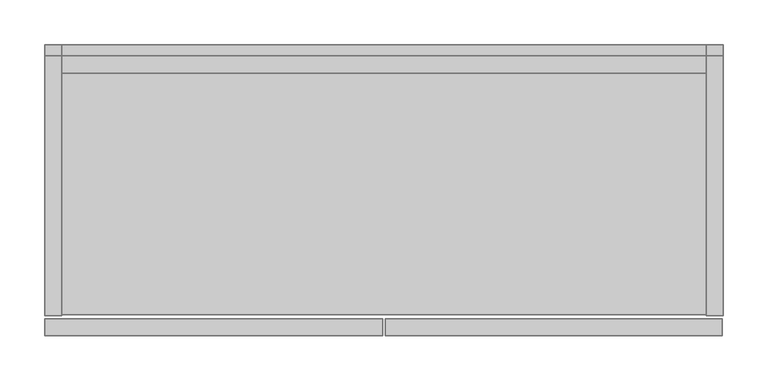
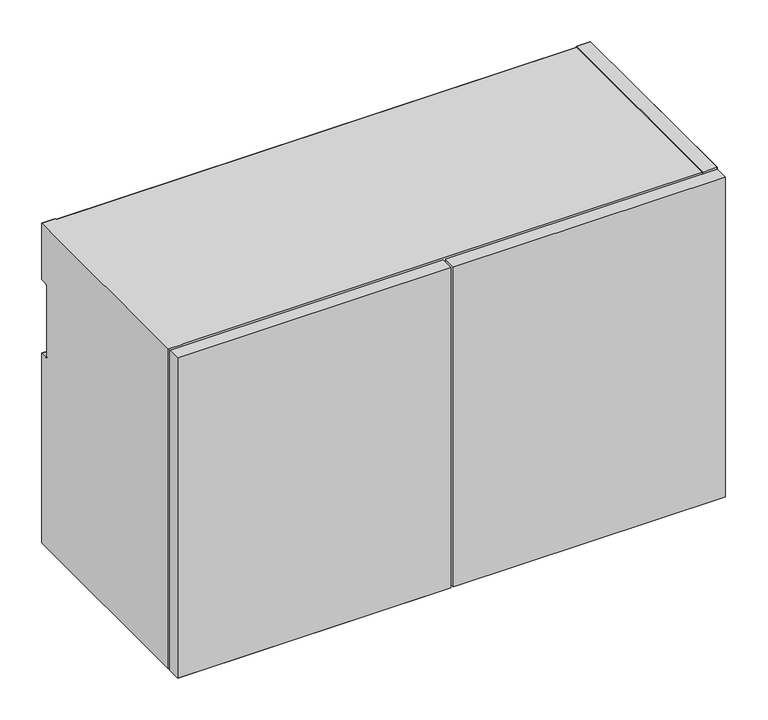
"""IFC4 building model written with IfcOpenShell, lengths in millimetres: furniture geometry."""

import ifcopenshell
import ifcopenshell.guid

model = None  # the IFC model being written
_history = None  # IfcOwnerHistory: only IFC2X3 demands one
_inside = {}  # id of a spatial element -> (the spatial element, [elements in it])
_under = {}  # id of a project, library or spatial element -> (it, [spatial elements below it])
_declared = {}  # id of a project -> (the project, [libraries it declares])
_typed = {}  # id of a type object -> (the type object, [elements of that type])
_made_of = {}  # id of a material, layer set ... -> (it, [elements and type objects made of it])


def new_model(schema):
    """Start an empty IFC model of exactly this schema.

    Asked for "IFC4X3", IfcOpenShell would pick the latest addendum, in which some entities
    have other attributes; the version numbers below select the first issue.
    IFC2X3 requires an IfcOwnerHistory on every rooted entity: one is made here for all.
    """
    global model, _history
    if schema == "IFC4X3":
        model = ifcopenshell.file(schema_version=(4, 3, 0, 0))
    else:
        model = ifcopenshell.file(schema=schema)
    _inside.clear()
    _under.clear()
    _declared.clear()
    _typed.clear()
    _made_of.clear()
    _history = None
    if model.schema == "IFC2X3":
        org = make("IfcOrganization", Name="unknown")
        user = make(
            "IfcPersonAndOrganization",
            ThePerson=make("IfcPerson", FamilyName="unknown"),
            TheOrganization=org,
        )
        app = make(
            "IfcApplication",
            ApplicationDeveloper=org,
            Version="unknown",
            ApplicationFullName="unknown",
            ApplicationIdentifier="unknown",
        )
        _history = make(
            "IfcOwnerHistory",
            OwningUser=user,
            OwningApplication=app,
            ChangeAction="ADDED",
            CreationDate=0,
        )
    return model


def make(cls, **values):
    """One entity of the class cls with the attributes given. An attribute that is None is left unset."""
    return model.create_entity(
        cls, **{name: value for name, value in values.items() if value is not None}
    )


def rooted(cls, **values):
    """An entity with a GlobalId (a new one), such as an element, a storey or a relation."""
    return make(cls, GlobalId=ifcopenshell.guid.new(), OwnerHistory=_history, **values)


def si_unit(unit_type, name, prefix=None):
    """IfcSIUnit, for example si_unit("LENGTHUNIT", "METRE", prefix="MILLI")."""
    return make("IfcSIUnit", UnitType=unit_type, Prefix=prefix, Name=name)


def assignment(units):
    """IfcUnitAssignment: the units of a project."""
    return None if units is None else make("IfcUnitAssignment", Units=units)


def point(xyz):
    """IfcCartesianPoint."""
    return None if xyz is None else make("IfcCartesianPoint", Coordinates=xyz)


def direction(xyz):
    """IfcDirection."""
    return None if xyz is None else make("IfcDirection", DirectionRatios=xyz)


def frame(location, z_axis=None, x_axis=None):
    """IfcAxis2Placement3D, a coordinate frame: its origin and axes. An axis left out is left unset."""
    return make(
        "IfcAxis2Placement3D",
        Location=point(location),
        Axis=direction(z_axis),
        RefDirection=direction(x_axis),
    )


def origin():
    """The frame at (0, 0, 0) with its axes left unset."""
    return frame((0.0, 0.0, 0.0))


def place(relative_to, where):
    """IfcLocalPlacement: puts the frame where relative to a parent placement (None: the world)."""
    return make(
        "IfcLocalPlacement", PlacementRelTo=relative_to, RelativePlacement=where
    )


def context(
    kind, dimensions, precision=None, world=None, true_north=None, identifier=None
):
    """IfcGeometricRepresentationContext, for example the 3D "Model" context."""
    return make(
        "IfcGeometricRepresentationContext",
        ContextIdentifier=identifier,
        ContextType=kind,
        CoordinateSpaceDimension=dimensions,
        Precision=precision,
        WorldCoordinateSystem=world,
        TrueNorth=true_north,
    )


def project(units=None, contexts=None):
    """IfcProject with its units and contexts."""
    return rooted(
        "IfcProject",
        Name="project",
        RepresentationContexts=contexts,
        UnitsInContext=assignment(units),
    )


def spatial(cls, under=None, at=None, **own):
    """A site, building, storey or space (cls), placed at a placement, below another one or the project."""
    s = rooted(cls, ObjectPlacement=at, **own)
    if under is not None:
        _under.setdefault(under.id(), (under, []))[1].append(s)
    return s


def point_list(points):
    """IfcCartesianPointList2D or 3D."""
    cls = (
        "IfcCartesianPointList2D" if len(points[0]) == 2 else "IfcCartesianPointList3D"
    )
    return make(cls, CoordList=points)


def triangles(points, corners, closed=None, point_numbers=None):
    """IfcTriangulatedFaceSet: each triangle names its three corners, points numbered from 1."""
    return make(
        "IfcTriangulatedFaceSet",
        Coordinates=point_list(points),
        Closed=closed,
        CoordIndex=corners,
        PnIndex=point_numbers,
    )


def shape(context_of_items, identifier, shape_type, items):
    """IfcShapeRepresentation: the items that make up one representation, for example the "Body"."""
    return make(
        "IfcShapeRepresentation",
        ContextOfItems=context_of_items,
        RepresentationIdentifier=identifier,
        RepresentationType=shape_type,
        Items=items,
    )


def source(mapping_origin, context_of_items, identifier, shape_type, items):
    """IfcRepresentationMap: a shape defined once, which mapped items show again and again."""
    return make(
        "IfcRepresentationMap",
        MappingOrigin=mapping_origin,
        MappedRepresentation=shape(context_of_items, identifier, shape_type, items),
    )


def transform(
    local_origin,
    x_axis=None,
    y_axis=None,
    z_axis=None,
    scale=None,
    scale2=None,
    scale3=None,
    uniform=True,
):
    """IfcCartesianTransformationOperator3D, or its non-uniform kind. x_axis, y_axis, z_axis: its Axis1, 2, 3."""
    if uniform:
        return make(
            "IfcCartesianTransformationOperator3D",
            Axis1=direction(x_axis),
            Axis2=direction(y_axis),
            LocalOrigin=point(local_origin),
            Scale=scale,
            Axis3=direction(z_axis),
        )
    return make(
        "IfcCartesianTransformationOperator3DnonUniform",
        Axis1=direction(x_axis),
        Axis2=direction(y_axis),
        LocalOrigin=point(local_origin),
        Scale=scale,
        Axis3=direction(z_axis),
        Scale2=scale2,
        Scale3=scale3,
    )


def mapped(mapping_source, mapping_target):
    """IfcMappedItem: shows the shape of a source again, moved by a transform."""
    return make(
        "IfcMappedItem", MappingSource=mapping_source, MappingTarget=mapping_target
    )


def made_of(thing, what):
    """Note that an element or type object is made of a material, layer set ...; save() writes the relation."""
    if what is not None:
        _made_of.setdefault(what.id(), (what, []))[1].append(thing)
    return thing


def element(
    cls,
    number,
    at=None,
    inside=None,
    cuts=None,
    type_object=None,
    material=None,
    context=None,
    identifier="Body",
    shape_type=None,
    held_by="IfcProductDefinitionShape",
    body=None,
    shapes=None,
    **own,
):
    """One element of the class cls, such as IfcWall. Its Tag is "e" and its number.

    at: its placement. inside: the storey or other place that contains it. cuts: it is an
    opening in that element (IfcRelVoidsElement). A single representation is given by context,
    identifier, shape_type and body (its items); several are given by shapes. held_by: the class
    of the entity that holds the representations. save() writes the other relations.
    """
    e = rooted(cls, Tag="e%d" % number, ObjectPlacement=at, **own)
    if body is not None:
        shapes = [shape(context, identifier, shape_type, body)]
    if shapes is not None:
        e.Representation = make(held_by, Representations=shapes)
    if inside is not None:
        _inside.setdefault(inside.id(), (inside, []))[1].append(e)
    if cuts is not None:
        rooted(
            "IfcRelVoidsElement", RelatingBuildingElement=cuts, RelatedOpeningElement=e
        )
    if type_object is not None:
        _typed.setdefault(type_object.id(), (type_object, []))[1].append(e)
    return made_of(e, material)


def aggregate(whole, parts):
    """IfcRelAggregates: a whole, such as a stair, and the parts it consists of."""
    return rooted("IfcRelAggregates", RelatingObject=whole, RelatedObjects=parts)


def save(model, path):
    """Write the relations noted so far, then the file.

    IfcRelAggregates (storeys below a building ...), IfcRelContainedInSpatialStructure (elements
    in a storey), IfcRelDefinesByType, IfcRelAssociatesMaterial and IfcRelDeclares: one each for
    every whole, place, type object, material and project.
    """
    for whole, parts in _under.values():
        aggregate(whole, parts)
    for where, things in _inside.values():
        rooted(
            "IfcRelContainedInSpatialStructure",
            RelatedElements=things,
            RelatingStructure=where,
        )
    for kind, things in _typed.values():
        rooted("IfcRelDefinesByType", RelatedObjects=things, RelatingType=kind)
    for what, things in _made_of.values():
        rooted("IfcRelAssociatesMaterial", RelatedObjects=things, RelatingMaterial=what)
    for by, libraries in _declared.values():
        rooted("IfcRelDeclares", RelatingContext=by, RelatedDefinitions=libraries)
    model.write(path)


def furniture_3b28bcd8(model_context):
    return source(origin(), model_context, "Body", "Tessellation", [
        triangles([(382.5875121, -327.0249879, 469.8999879), (382.5875121, -327.0249879, 1.21e-05), (760.4125242, -327.0249879, 469.8999879), (760.4125242, -327.0249879, 1.21e-05), (382.5875121, -307.7210063, 1.21e-05), (382.5875121, -307.7210063, 469.8999879), (760.4125242, -307.7210063, 469.8999879), (760.4125242, -307.7210063, 1.21e-05), (0.0, -327.0249879, 469.8999879), (0.0, -327.0249879, 1.21e-05), (379.4124879, -327.0249879, 1.21e-05), (379.4124879, -327.0249879, 469.8999879), (0.0, -307.7210063, 1.21e-05), (0.0, -307.7210063, 469.8999879), (379.4124879, -307.7210063, 469.8999879), (379.4124879, -307.7210063, 1.21e-05), (742.6960184, -304.5460002, 469.8999879), (742.6960184, -304.5460002, 1.21e-05), (762.0, -304.5460002, 1.21e-05), (762.0, -304.5460002, 469.8999879), (742.6960184, 0.0, 386.8419763), (742.6960184, 0.0, 469.8999879), (762.0, 0.0, 469.8999879), (762.0, 0.0, 386.8419763), (742.6960184, 0.0, 1.21e-05), (742.6960184, 0.0, 278.8919702), (762.0, 0.0, 278.8919702), (762.0, 0.0, 1.21e-05), (742.6960184, -11.1124996, 279.3173803), (742.6960184, -11.7700642, 279.821928), (742.6960184, -9.525, 278.8919702), (742.6960184, -10.346751, 279.0001758), (742.6960184, -11.1127244, 386.4167115), (742.6960184, -11.7701959, 385.9121638), (742.6960184, -9.5254485, 386.8419763), (742.6960184, -10.3470826, 386.7338433), (742.6960184, -12.5918141, 281.2452423), (742.6960184, -12.2746312, 280.4795187), (742.6960184, -12.7000004, 282.0669944), (742.6960184, -12.2746902, 385.2547185), (742.6960184, -12.59183, 384.4890676), (742.6960184, -12.7000004, 383.6674607), (762.0, -11.1127244, 386.4167115), (762.0, -11.7701959, 385.9121638), (762.0, -9.5254485, 386.8419763), (762.0, -10.3470826, 386.7338433), (762.0, -11.1124996, 279.3173803), (762.0, -11.7700642, 279.821928), (762.0, -9.525, 278.8919702), (762.0, -10.346751, 279.0001758), (762.0, -12.2746902, 385.2547185), (762.0, -12.59183, 384.4890676), (762.0, -12.7000004, 383.6674607), (762.0, -12.7000004, 282.0669944), (762.0, -12.2746312, 280.4795187), (762.0, -12.5918141, 281.2452423), (19.3039998, -303.0220017, 20.8279915), (19.3039998, -303.0220017, 1.5240106), (742.6960184, -303.0220017, 1.5240106), (742.6960184, -303.0220017, 20.8279915), (19.3039998, -12.7000004, 1.5240106), (19.3039998, -12.7000004, 20.8279915), (742.6960184, -12.7000004, 20.8279915), (742.6960184, -12.7000004, 1.5240106), (742.6960184, -32.003999, 20.8279915), (742.6960184, -12.7000004, 450.5960063), (742.6960184, -32.003999, 450.5960063), (19.3039998, -12.7000004, 450.5960063), (19.3039998, -32.003999, 20.8279915), (19.3039998, -32.003999, 450.5960063), (0.0, -304.5460002, 469.8999879), (0.0, -304.5460002, 1.21e-05), (19.3039998, -304.5460002, 1.21e-05), (19.3039998, -304.5460002, 469.8999879), (0.0, 0.0, 386.8419763), (0.0, 0.0, 469.8999879), (19.3039998, 0.0, 469.8999879), (19.3039998, 0.0, 386.8419763), (0.0, 0.0, 1.21e-05), (0.0, 0.0, 278.8919702), (19.3039998, 0.0, 278.8919702), (19.3039998, 0.0, 1.21e-05), (0.0, -11.1124996, 279.3173803), (0.0, -11.7700642, 279.821928), (0.0, -9.525, 278.8919702), (0.0, -10.346751, 279.0001758), (0.0, -11.1127244, 386.4167115), (0.0, -11.7701959, 385.9121638), (0.0, -9.5254485, 386.8419763), (0.0, -10.3470826, 386.7338433), (0.0, -12.5918141, 281.2452423), (0.0, -12.2746312, 280.4795187), (0.0, -12.7000004, 282.0669944), (0.0, -12.2746902, 385.2547185), (0.0, -12.59183, 384.4890676), (0.0, -12.7000004, 383.6674607), (19.3039998, -11.1127244, 386.4167115), (19.3039998, -11.7701959, 385.9121638), (19.3039998, -9.5254485, 386.8419763), (19.3039998, -10.3470826, 386.7338433), (19.3039998, -11.1124996, 279.3173803), (19.3039998, -11.7700642, 279.821928), (19.3039998, -9.525, 278.8919702), (19.3039998, -10.346751, 279.0001758), (19.3039998, -12.2746902, 385.2547185), (19.3039998, -12.59183, 384.4890676), (19.3039998, -12.7000004, 383.6674607), (19.3039998, -12.7000004, 282.0669944), (19.3039998, -12.2746312, 280.4795187), (19.3039998, -12.5918141, 281.2452423), (19.3039998, -303.0220017, 468.375953), (19.3039998, -303.0220017, 450.5960063), (742.6960184, -303.0220017, 450.5960063), (742.6960184, -303.0220017, 468.375953), (19.3039998, 0.0, 450.5960063), (19.3039998, 0.0, 468.375953), (742.6960184, 0.0, 468.375953), (742.6960184, 0.0, 450.5960063)], [[1, 2, 3], [2, 4, 3], [5, 6, 7], [5, 7, 8], [3, 7, 6], [3, 6, 1], [2, 1, 6], [2, 6, 5], [4, 2, 5], [4, 5, 8], [4, 8, 7], [4, 7, 3], [9, 10, 11], [9, 11, 12], [13, 14, 15], [13, 15, 16], [12, 15, 14], [12, 14, 9], [10, 9, 14], [10, 14, 13], [11, 10, 13], [11, 13, 16], [11, 16, 15], [11, 15, 12], [17, 18, 19], [17, 19, 20], [21, 22, 23], [21, 23, 24], [25, 26, 27], [25, 27, 28], [20, 23, 22], [20, 22, 17], [29, 25, 30], [31, 25, 32], [31, 26, 25], [29, 32, 25], [33, 34, 22], [22, 35, 36], [35, 22, 21], [36, 33, 22], [37, 38, 18], [18, 38, 30], [18, 30, 25], [37, 18, 17], [37, 17, 39], [22, 34, 40], [40, 41, 17], [40, 17, 22], [42, 17, 41], [17, 42, 39], [19, 18, 25], [19, 25, 28], [43, 23, 44], [45, 23, 46], [45, 24, 23], [43, 46, 23], [47, 48, 28], [28, 49, 50], [49, 28, 27], [50, 47, 28], [23, 51, 44], [51, 23, 20], [51, 20, 52], [53, 52, 20], [53, 20, 54], [48, 55, 28], [55, 19, 28], [55, 56, 19], [56, 54, 20], [56, 20, 19], [34, 44, 40], [44, 51, 40], [53, 42, 41], [53, 41, 52], [52, 41, 40], [52, 40, 51], [33, 43, 34], [43, 44, 34], [43, 33, 36], [43, 36, 46], [46, 36, 35], [46, 35, 45], [53, 54, 39], [53, 39, 42], [30, 48, 29], [48, 47, 29], [49, 31, 32], [49, 32, 50], [50, 32, 29], [50, 29, 47], [38, 55, 30], [55, 48, 30], [55, 38, 37], [55, 37, 56], [56, 37, 39], [56, 39, 54], [49, 27, 26], [49, 26, 31], [24, 45, 35], [24, 35, 21], [57, 58, 59], [57, 59, 60], [61, 62, 63], [61, 63, 64], [60, 63, 62], [60, 62, 57], [61, 58, 57], [61, 57, 62], [64, 59, 58], [64, 58, 61], [59, 64, 63], [59, 63, 60], [65, 63, 66], [65, 66, 67], [68, 62, 69], [68, 69, 70], [67, 70, 69], [67, 69, 65], [62, 63, 65], [62, 65, 69], [68, 66, 63], [68, 63, 62], [66, 68, 70], [66, 70, 67], [71, 72, 73], [71, 73, 74], [75, 76, 77], [75, 77, 78], [79, 80, 81], [79, 81, 82], [74, 77, 76], [74, 76, 71], [83, 79, 84], [85, 79, 86], [85, 80, 79], [83, 86, 79], [87, 88, 76], [76, 89, 90], [89, 76, 75], [90, 87, 76], [91, 92, 72], [72, 92, 84], [72, 84, 79], [91, 72, 71], [91, 71, 93], [76, 88, 94], [94, 95, 71], [94, 71, 76], [96, 71, 95], [71, 96, 93], [82, 73, 72], [82, 72, 79], [97, 77, 98], [99, 77, 100], [99, 78, 77], [97, 100, 77], [101, 102, 82], [82, 103, 104], [103, 82, 81], [104, 101, 82], [77, 105, 98], [105, 77, 74], [105, 74, 106], [107, 106, 74], [107, 74, 108], [102, 109, 82], [109, 73, 82], [109, 110, 73], [110, 108, 74], [110, 74, 73], [95, 106, 107], [95, 107, 96], [106, 95, 94], [106, 94, 105], [105, 94, 88], [105, 88, 98], [87, 97, 98], [87, 98, 88], [97, 87, 90], [97, 90, 100], [100, 90, 89], [100, 89, 99], [107, 108, 93], [107, 93, 96], [86, 104, 103], [86, 103, 85], [104, 86, 83], [104, 83, 101], [101, 83, 84], [101, 84, 102], [92, 109, 102], [92, 102, 84], [109, 92, 91], [109, 91, 110], [110, 91, 93], [110, 93, 108], [103, 81, 80], [103, 80, 85], [78, 99, 89], [78, 89, 75], [111, 112, 113], [111, 113, 114], [115, 116, 117], [115, 117, 118], [114, 117, 116], [114, 116, 111], [112, 111, 116], [112, 116, 115], [118, 113, 112], [118, 112, 115], [113, 118, 117], [113, 117, 114]], closed=False),
    ])


if __name__ == "__main__":
    model = new_model("IFC4")
    model_context = context("Model", 3, world=origin())
    ifc_project = project(units=[si_unit("LENGTHUNIT", "METRE", prefix="MILLI")], contexts=[model_context])
    site = spatial("IfcSite", under=ifc_project)
    building = spatial("IfcBuilding", under=site)
    placement = place(None, origin())
    furniture_shape = furniture_3b28bcd8(model_context)
    element("IfcFurniture", 1, at=placement, inside=building, context=model_context, shape_type="MappedRepresentation", body=[
        mapped(furniture_shape, transform((0.0, 0.0, 0.0), x_axis=(1.0, 0.0, 0.0), y_axis=(0.0, 1.0, 0.0), z_axis=(0.0, 0.0, 1.0))),
    ])
    save(model, "model.ifc")
